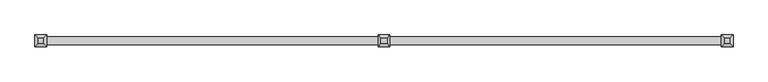
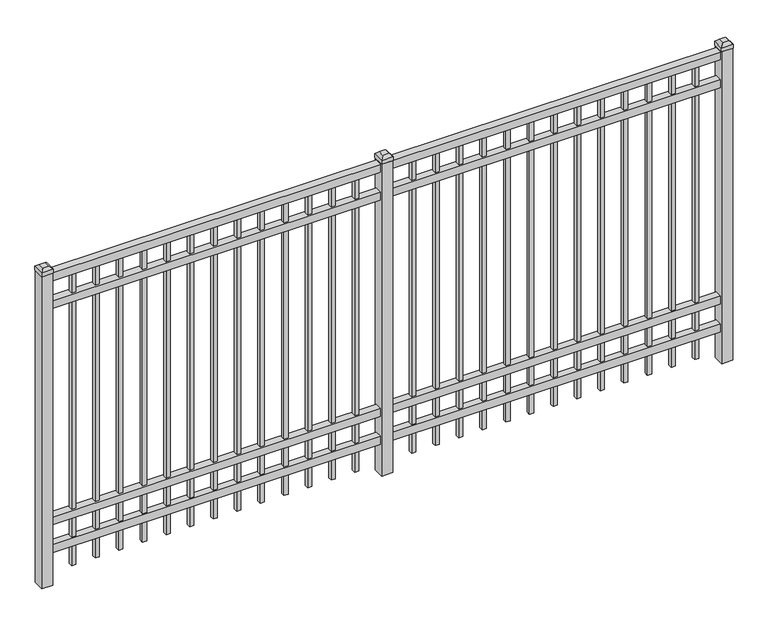
"""IFC4 building model written with IfcOpenShell, lengths in millimetres: railing geometry."""

from ifc_helpers import new_model, si_unit, frame, origin, origin_with_axes, place, context, project, spatial, polyline, outline, extrude, faceted_brep, source, transform, mapped, element, save


def railing_1e567daf(model_context):
    return source(origin(), model_context, "Body", "SolidModel", [
        extrude(outline(polyline([(-73537.318087, -9187.1195174), (-73537.318087, -9152.1945174), (-70387.718087, -9152.1945174), (-70387.718087, -9187.1195174), (-73537.318087, -9187.1195174)])), frame((0.0, 0.0, 1485.9), z_axis=(0.0, 0.0, 1.0), x_axis=(1.0, 0.0, 0.0)), (0.0, 0.0, 1.0), 38.1),
        extrude(outline(polyline([(-73537.318087, -9187.1195174), (-73537.318087, -9152.1945174), (-70387.718087, -9152.1945174), (-70387.718087, -9187.1195174), (-73537.318087, -9187.1195174)])), frame((0.0, 0.0, 1349.375), z_axis=(0.0, 0.0, 1.0), x_axis=(1.0, 0.0, 0.0)), (0.0, 0.0, 1.0), 38.1),
        extrude(outline(polyline([(-73537.318087, -9187.1195174), (-73537.318087, -9152.1945174), (-70387.718087, -9152.1945174), (-70387.718087, -9187.1195174), (-73537.318087, -9187.1195174)])), frame((0.0, 0.0, 288.925), z_axis=(0.0, 0.0, 1.0), x_axis=(1.0, 0.0, 0.0)), (0.0, 0.0, 1.0), 38.1),
        extrude(outline(polyline([(-73537.318087, -9187.1195174), (-73537.318087, -9152.1945174), (-70387.718087, -9152.1945174), (-70387.718087, -9187.1195174), (-73537.318087, -9187.1195174)])), frame((0.0, 0.0, 152.4), z_axis=(0.0, 0.0, 1.0), x_axis=(1.0, 0.0, 0.0)), (0.0, 0.0, 1.0), 38.1),
        extrude(outline(polyline([(-70619.2285036, -9160.1320174), (-70619.2285036, -9179.1820174), (-70638.2785036, -9179.1820174), (-70638.2785036, -9160.1320174), (-70619.2285036, -9160.1320174)])), frame((0.0, 0.0, 50.8), z_axis=(0.0, 0.0, 1.0), x_axis=(1.0, 0.0, 0.0)), (0.0, 0.0, 1.0), 1435.1),
        extrude(outline(polyline([(-70728.5014203, -9160.1320174), (-70728.5014203, -9179.1820174), (-70747.5514203, -9179.1820174), (-70747.5514203, -9160.1320174), (-70728.5014203, -9160.1320174)])), frame((0.0, 0.0, 50.8), z_axis=(0.0, 0.0, 1.0), x_axis=(1.0, 0.0, 0.0)), (0.0, 0.0, 1.0), 1435.1),
        extrude(outline(polyline([(-70837.774337, -9160.1320174), (-70837.774337, -9179.1820174), (-70856.824337, -9179.1820174), (-70856.824337, -9160.1320174), (-70837.774337, -9160.1320174)])), frame((0.0, 0.0, 50.8), z_axis=(0.0, 0.0, 1.0), x_axis=(1.0, 0.0, 0.0)), (0.0, 0.0, 1.0), 1435.1),
        extrude(outline(polyline([(-70947.0472536, -9160.1320174), (-70947.0472536, -9179.1820174), (-70966.0972536, -9179.1820174), (-70966.0972536, -9160.1320174), (-70947.0472536, -9160.1320174)])), frame((0.0, 0.0, 50.8), z_axis=(0.0, 0.0, 1.0), x_axis=(1.0, 0.0, 0.0)), (0.0, 0.0, 1.0), 1435.1),
        extrude(outline(polyline([(-71056.3201703, -9160.1320174), (-71056.3201703, -9179.1820174), (-71075.3701703, -9179.1820174), (-71075.3701703, -9160.1320174), (-71056.3201703, -9160.1320174)])), frame((0.0, 0.0, 50.8), z_axis=(0.0, 0.0, 1.0), x_axis=(1.0, 0.0, 0.0)), (0.0, 0.0, 1.0), 1435.1),
        extrude(outline(polyline([(-71165.593087, -9160.1320174), (-71165.593087, -9179.1820174), (-71184.643087, -9179.1820174), (-71184.643087, -9160.1320174), (-71165.593087, -9160.1320174)])), frame((0.0, 0.0, 50.8), z_axis=(0.0, 0.0, 1.0), x_axis=(1.0, 0.0, 0.0)), (0.0, 0.0, 1.0), 1435.1),
        extrude(outline(polyline([(-71274.8660036, -9160.1320174), (-71274.8660036, -9179.1820174), (-71293.9160036, -9179.1820174), (-71293.9160036, -9160.1320174), (-71274.8660036, -9160.1320174)])), frame((0.0, 0.0, 50.8), z_axis=(0.0, 0.0, 1.0), x_axis=(1.0, 0.0, 0.0)), (0.0, 0.0, 1.0), 1435.1),
        extrude(outline(polyline([(-71384.1389203, -9160.1320174), (-71384.1389203, -9179.1820174), (-71403.1889203, -9179.1820174), (-71403.1889203, -9160.1320174), (-71384.1389203, -9160.1320174)])), frame((0.0, 0.0, 50.8), z_axis=(0.0, 0.0, 1.0), x_axis=(1.0, 0.0, 0.0)), (0.0, 0.0, 1.0), 1435.1),
        extrude(outline(polyline([(-71493.411837, -9160.1320174), (-71493.411837, -9179.1820174), (-71512.461837, -9179.1820174), (-71512.461837, -9160.1320174), (-71493.411837, -9160.1320174)])), frame((0.0, 0.0, 50.8), z_axis=(0.0, 0.0, 1.0), x_axis=(1.0, 0.0, 0.0)), (0.0, 0.0, 1.0), 1435.1),
        extrude(outline(polyline([(-71602.6847536, -9160.1320174), (-71602.6847536, -9179.1820174), (-71621.7347536, -9179.1820174), (-71621.7347536, -9160.1320174), (-71602.6847536, -9160.1320174)])), frame((0.0, 0.0, 50.8), z_axis=(0.0, 0.0, 1.0), x_axis=(1.0, 0.0, 0.0)), (0.0, 0.0, 1.0), 1435.1),
        extrude(outline(polyline([(-71711.9576703, -9160.1320174), (-71711.9576703, -9179.1820174), (-71731.0076703, -9179.1820174), (-71731.0076703, -9160.1320174), (-71711.9576703, -9160.1320174)])), frame((0.0, 0.0, 50.8), z_axis=(0.0, 0.0, 1.0), x_axis=(1.0, 0.0, 0.0)), (0.0, 0.0, 1.0), 1435.1),
        extrude(outline(polyline([(-70509.955587, -9160.1320174), (-70509.955587, -9179.1820174), (-70529.005587, -9179.1820174), (-70529.005587, -9160.1320174), (-70509.955587, -9160.1320174)])), frame((0.0, 0.0, 50.8), z_axis=(0.0, 0.0, 1.0), x_axis=(1.0, 0.0, 0.0)), (0.0, 0.0, 1.0), 1435.1),
        extrude(outline(polyline([(-71821.230587, -9160.1320174), (-71821.230587, -9179.1820174), (-71840.280587, -9179.1820174), (-71840.280587, -9160.1320174), (-71821.230587, -9160.1320174)])), frame((0.0, 0.0, 50.8), z_axis=(0.0, 0.0, 1.0), x_axis=(1.0, 0.0, 0.0)), (0.0, 0.0, 1.0), 1435.1),
        extrude(outline(polyline([(-71937.118087, -9144.2570174), (-71937.118087, -9195.0570174), (-71987.918087, -9195.0570174), (-71987.918087, -9144.2570174), (-71937.118087, -9144.2570174)])), origin_with_axes(), (0.0, 0.0, 1.0), 1530.35),
        faceted_brep([(-71989.505587, -9142.6695174, 1549.4), (-71989.505587, -9142.6695174, 1530.35), (-71989.505587, -9196.6445174, 1530.35), (-71989.505587, -9196.6445174, 1549.4), (-71976.805587, -9155.3695174, 1562.1), (-71976.805587, -9183.9445174, 1562.1), (-71935.530587, -9196.6445174, 1530.35), (-71935.530587, -9196.6445174, 1549.4), (-71948.230587, -9183.9445174, 1562.1), (-71935.530587, -9142.6695174, 1530.35), (-71935.530587, -9142.6695174, 1549.4), (-71948.230587, -9155.3695174, 1562.1)], [[[0, 1, 2, 3]], [[4, 0, 3, 5]], [[3, 2, 6, 7]], [[5, 3, 7, 8]], [[7, 6, 9, 10]], [[8, 7, 10, 11]], [[10, 9, 1, 0]], [[11, 10, 0, 4]], [[5, 8, 11, 4]], [[1, 9, 6, 2]]]),
        extrude(outline(polyline([(-72194.0285036, -9160.1320174), (-72194.0285036, -9179.1820174), (-72213.0785036, -9179.1820174), (-72213.0785036, -9160.1320174), (-72194.0285036, -9160.1320174)])), frame((0.0, 0.0, 50.8), z_axis=(0.0, 0.0, 1.0), x_axis=(1.0, 0.0, 0.0)), (0.0, 0.0, 1.0), 1435.1),
        extrude(outline(polyline([(-72303.3014203, -9160.1320174), (-72303.3014203, -9179.1820174), (-72322.3514203, -9179.1820174), (-72322.3514203, -9160.1320174), (-72303.3014203, -9160.1320174)])), frame((0.0, 0.0, 50.8), z_axis=(0.0, 0.0, 1.0), x_axis=(1.0, 0.0, 0.0)), (0.0, 0.0, 1.0), 1435.1),
        extrude(outline(polyline([(-72412.574337, -9160.1320174), (-72412.574337, -9179.1820174), (-72431.624337, -9179.1820174), (-72431.624337, -9160.1320174), (-72412.574337, -9160.1320174)])), frame((0.0, 0.0, 50.8), z_axis=(0.0, 0.0, 1.0), x_axis=(1.0, 0.0, 0.0)), (0.0, 0.0, 1.0), 1435.1),
        extrude(outline(polyline([(-72521.8472536, -9160.1320174), (-72521.8472536, -9179.1820174), (-72540.8972536, -9179.1820174), (-72540.8972536, -9160.1320174), (-72521.8472536, -9160.1320174)])), frame((0.0, 0.0, 50.8), z_axis=(0.0, 0.0, 1.0), x_axis=(1.0, 0.0, 0.0)), (0.0, 0.0, 1.0), 1435.1),
        extrude(outline(polyline([(-72631.1201703, -9160.1320174), (-72631.1201703, -9179.1820174), (-72650.1701703, -9179.1820174), (-72650.1701703, -9160.1320174), (-72631.1201703, -9160.1320174)])), frame((0.0, 0.0, 50.8), z_axis=(0.0, 0.0, 1.0), x_axis=(1.0, 0.0, 0.0)), (0.0, 0.0, 1.0), 1435.1),
        extrude(outline(polyline([(-72740.393087, -9160.1320174), (-72740.393087, -9179.1820174), (-72759.443087, -9179.1820174), (-72759.443087, -9160.1320174), (-72740.393087, -9160.1320174)])), frame((0.0, 0.0, 50.8), z_axis=(0.0, 0.0, 1.0), x_axis=(1.0, 0.0, 0.0)), (0.0, 0.0, 1.0), 1435.1),
        extrude(outline(polyline([(-72849.6660036, -9160.1320174), (-72849.6660036, -9179.1820174), (-72868.7160036, -9179.1820174), (-72868.7160036, -9160.1320174), (-72849.6660036, -9160.1320174)])), frame((0.0, 0.0, 50.8), z_axis=(0.0, 0.0, 1.0), x_axis=(1.0, 0.0, 0.0)), (0.0, 0.0, 1.0), 1435.1),
        extrude(outline(polyline([(-72958.9389203, -9160.1320174), (-72958.9389203, -9179.1820174), (-72977.9889203, -9179.1820174), (-72977.9889203, -9160.1320174), (-72958.9389203, -9160.1320174)])), frame((0.0, 0.0, 50.8), z_axis=(0.0, 0.0, 1.0), x_axis=(1.0, 0.0, 0.0)), (0.0, 0.0, 1.0), 1435.1),
        extrude(outline(polyline([(-73068.211837, -9160.1320174), (-73068.211837, -9179.1820174), (-73087.261837, -9179.1820174), (-73087.261837, -9160.1320174), (-73068.211837, -9160.1320174)])), frame((0.0, 0.0, 50.8), z_axis=(0.0, 0.0, 1.0), x_axis=(1.0, 0.0, 0.0)), (0.0, 0.0, 1.0), 1435.1),
        extrude(outline(polyline([(-73177.4847536, -9160.1320174), (-73177.4847536, -9179.1820174), (-73196.5347536, -9179.1820174), (-73196.5347536, -9160.1320174), (-73177.4847536, -9160.1320174)])), frame((0.0, 0.0, 50.8), z_axis=(0.0, 0.0, 1.0), x_axis=(1.0, 0.0, 0.0)), (0.0, 0.0, 1.0), 1435.1),
        extrude(outline(polyline([(-73286.7576703, -9160.1320174), (-73286.7576703, -9179.1820174), (-73305.8076703, -9179.1820174), (-73305.8076703, -9160.1320174), (-73286.7576703, -9160.1320174)])), frame((0.0, 0.0, 50.8), z_axis=(0.0, 0.0, 1.0), x_axis=(1.0, 0.0, 0.0)), (0.0, 0.0, 1.0), 1435.1),
        extrude(outline(polyline([(-72084.755587, -9160.1320174), (-72084.755587, -9179.1820174), (-72103.805587, -9179.1820174), (-72103.805587, -9160.1320174), (-72084.755587, -9160.1320174)])), frame((0.0, 0.0, 50.8), z_axis=(0.0, 0.0, 1.0), x_axis=(1.0, 0.0, 0.0)), (0.0, 0.0, 1.0), 1435.1),
        extrude(outline(polyline([(-73396.030587, -9160.1320174), (-73396.030587, -9179.1820174), (-73415.080587, -9179.1820174), (-73415.080587, -9160.1320174), (-73396.030587, -9160.1320174)])), frame((0.0, 0.0, 50.8), z_axis=(0.0, 0.0, 1.0), x_axis=(1.0, 0.0, 0.0)), (0.0, 0.0, 1.0), 1435.1),
        extrude(outline(polyline([(-70362.318087, -9144.2570174), (-70362.318087, -9195.0570174), (-70413.118087, -9195.0570174), (-70413.118087, -9144.2570174), (-70362.318087, -9144.2570174)])), origin_with_axes(), (0.0, 0.0, 1.0), 1530.35),
        faceted_brep([(-70414.705587, -9142.6695174, 1549.4), (-70414.705587, -9142.6695174, 1530.35), (-70414.705587, -9196.6445174, 1530.35), (-70414.705587, -9196.6445174, 1549.4), (-70402.005587, -9155.3695174, 1562.1), (-70402.005587, -9183.9445174, 1562.1), (-70360.730587, -9196.6445174, 1530.35), (-70360.730587, -9196.6445174, 1549.4), (-70373.430587, -9183.9445174, 1562.1), (-70360.730587, -9142.6695174, 1530.35), (-70360.730587, -9142.6695174, 1549.4), (-70373.430587, -9155.3695174, 1562.1)], [[[0, 1, 2, 3]], [[4, 0, 3, 5]], [[3, 2, 6, 7]], [[5, 3, 7, 8]], [[7, 6, 9, 10]], [[8, 7, 10, 11]], [[10, 9, 1, 0]], [[11, 10, 0, 4]], [[5, 8, 11, 4]], [[1, 9, 6, 2]]]),
        extrude(outline(polyline([(-73511.918087, -9144.2570174), (-73511.918087, -9195.0570174), (-73562.718087, -9195.0570174), (-73562.718087, -9144.2570174), (-73511.918087, -9144.2570174)])), origin_with_axes(), (0.0, 0.0, 1.0), 1530.35),
        faceted_brep([(-73564.305587, -9142.6695174, 1549.4), (-73564.305587, -9142.6695174, 1530.35), (-73564.305587, -9196.6445174, 1530.35), (-73564.305587, -9196.6445174, 1549.4), (-73551.605587, -9155.3695174, 1562.1), (-73551.605587, -9183.9445174, 1562.1), (-73510.330587, -9196.6445174, 1530.35), (-73510.330587, -9196.6445174, 1549.4), (-73523.030587, -9183.9445174, 1562.1), (-73510.330587, -9142.6695174, 1530.35), (-73510.330587, -9142.6695174, 1549.4), (-73523.030587, -9155.3695174, 1562.1)], [[[0, 1, 2, 3]], [[4, 0, 3, 5]], [[3, 2, 6, 7]], [[5, 3, 7, 8]], [[7, 6, 9, 10]], [[8, 7, 10, 11]], [[10, 9, 1, 0]], [[11, 10, 0, 4]], [[5, 8, 11, 4]], [[1, 9, 6, 2]]]),
    ])


if __name__ == "__main__":
    model = new_model("IFC4")
    model_context = context("Model", 3, world=origin())
    ifc_project = project(units=[si_unit("LENGTHUNIT", "METRE", prefix="MILLI")], contexts=[model_context])
    site = spatial("IfcSite", under=ifc_project)
    building = spatial("IfcBuilding", under=site)
    placement = place(None, origin())
    railing_shape = railing_1e567daf(model_context)
    element("IfcRailing", 1, at=placement, inside=building, context=model_context, shape_type="MappedRepresentation", body=[
        mapped(railing_shape, transform((0.0, 0.0, 0.0), x_axis=(1.0, 0.0, 0.0), y_axis=(0.0, 1.0, 0.0), z_axis=(0.0, 0.0, 1.0))),
    ])
    save(model, "model.ifc")
